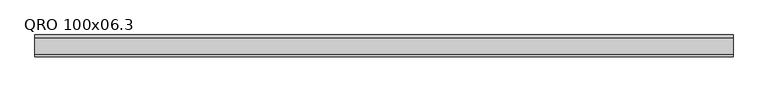
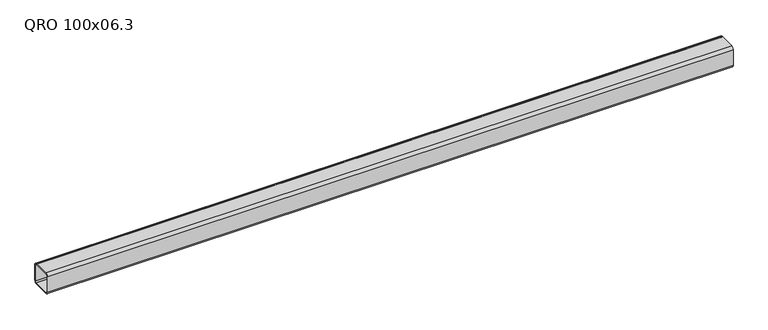
"""IFC4 building model written with IfcOpenShell, lengths in millimetres: beam geometry, QRO 100x06.3."""

from ifc_helpers import new_model, si_unit, point, frame, frame_2d, origin, place, context, project, spatial, polyline, circle_curve, trimmed, segment, composite_curve, outline, extrude, source, transform, mapped, element, save


def qro_100x06_3_71ce0b2c(model_context):
    return source(origin(), model_context, "Body", "SweptSolid", [
        extrude(outline(composite_curve([segment(polyline([(50.0, 38.0), (50.0, -38.0)]), True, "CONTINUOUS"), segment(trimmed(circle_curve(frame_2d((38.0, -38.0)), 12.0), [point((50.0, -38.0))], [point((38.0, -50.0))], False, "CARTESIAN"), True, "CONTINUOUS"), segment(polyline([(38.0, -50.0), (-38.0, -50.0)]), True, "CONTINUOUS"), segment(trimmed(circle_curve(frame_2d((-38.0, -38.0)), 12.0), [point((-38.0, -50.0))], [point((-50.0, -38.0))], False, "CARTESIAN"), True, "CONTINUOUS"), segment(polyline([(-50.0, -38.0), (-50.0, 38.0)]), True, "CONTINUOUS"), segment(trimmed(circle_curve(frame_2d((-38.0, 38.0)), 12.0), [point((-50.0, 38.0))], [point((-38.0, 50.0))], False, "CARTESIAN"), True, "CONTINUOUS"), segment(polyline([(-38.0, 50.0), (38.0, 50.0)]), True, "CONTINUOUS"), segment(trimmed(circle_curve(frame_2d((38.0, 38.0)), 12.0), [point((38.0, 50.0))], [point((50.0, 38.0))], False, "CARTESIAN"), True, "CONTINUOUS")], self_intersect=False), holes=[composite_curve([segment(trimmed(circle_curve(frame_2d((-38.0, 38.0)), 6.0), [point((-38.0, 44.0))], [point((-44.0, 38.0))], True, "CARTESIAN"), True, "CONTINUOUS"), segment(polyline([(-44.0, 38.0), (-44.0, -38.0)]), True, "CONTINUOUS"), segment(trimmed(circle_curve(frame_2d((-38.0, -38.0)), 6.0), [point((-44.0, -38.0))], [point((-38.0, -44.0))], True, "CARTESIAN"), True, "CONTINUOUS"), segment(polyline([(-38.0, -44.0), (38.0, -44.0)]), True, "CONTINUOUS"), segment(trimmed(circle_curve(frame_2d((38.0, -38.0)), 6.0), [point((38.0, -44.0))], [point((44.0, -38.0))], True, "CARTESIAN"), True, "CONTINUOUS"), segment(polyline([(44.0, -38.0), (44.0, 38.0)]), True, "CONTINUOUS"), segment(trimmed(circle_curve(frame_2d((38.0, 38.0)), 6.0), [point((44.0, 38.0))], [point((38.0, 44.0))], True, "CARTESIAN"), True, "CONTINUOUS"), segment(polyline([(38.0, 44.0), (-38.0, 44.0)]), True, "CONTINUOUS")], self_intersect=False)]), frame((-1616.5060582, 0.0, 0.0), z_axis=(1.0, 0.0, 0.0), x_axis=(0.0, 1.0, 0.0)), (0.0, 0.0, 1.0), 3179.1705811),
    ])


if __name__ == "__main__":
    model = new_model("IFC4")
    model_context = context("Model", 3, world=origin())
    ifc_project = project(units=[si_unit("LENGTHUNIT", "METRE", prefix="MILLI")], contexts=[model_context])
    site = spatial("IfcSite", under=ifc_project)
    building = spatial("IfcBuilding", under=site)
    placement = place(None, origin())
    qro_100x06_3_shape = qro_100x06_3_71ce0b2c(model_context)
    element("IfcBeam", 1, ObjectType="QRO 100x06.3", at=placement, inside=building, context=model_context, shape_type="MappedRepresentation", body=[
        mapped(qro_100x06_3_shape, transform((0.0, 0.0, 0.0), x_axis=(1.0, 0.0, 0.0), y_axis=(0.0, 1.0, 0.0), z_axis=(0.0, 0.0, 1.0))),
    ])
    save(model, "model.ifc")
